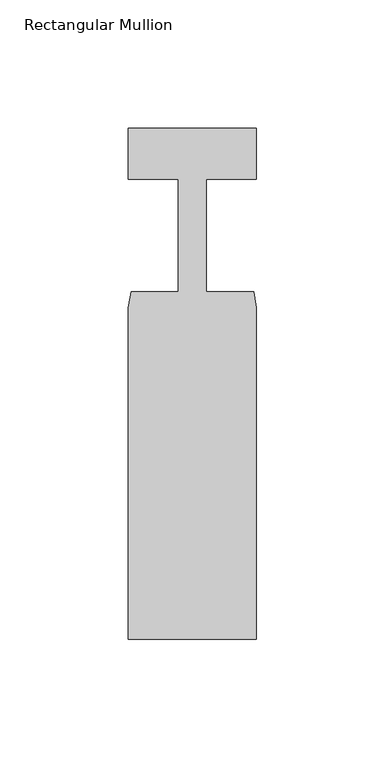
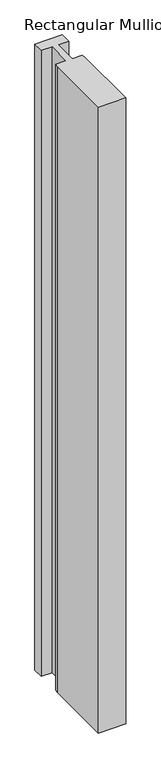
"""IFC4 building model written with IfcOpenShell, lengths in millimetres: member geometry, Rectangular Mullion."""

from ifc_helpers import new_model, si_unit, frame, origin, place, context, project, spatial, polyline, outline, extrude, source, transform, mapped, element, save


def rectangular_mullion_20dc95ad(model_context):
    return source(origin(), model_context, "Body", "SweptSolid", [
        extrude(outline(polyline([(0.0, -152.3), (-50.0, -152.3), (-50.0, -23.0), (-48.9, -16.8), (-30.4999999, -16.8), (-30.4999999, 27.0), (-50.0, 27.0), (-50.0, 47.0), (0.0, 47.0), (0.0, 27.0), (-19.5, 27.0), (-19.5, -16.8), (-1.1, -16.8), (0.0, -23.0), (0.0, -152.3)])), frame((0.0, 0.0, -1200.0), z_axis=(0.0, 0.0, 1.0), x_axis=(1.0, 0.0, 0.0)), (0.0, 0.0, 1.0), 1200.0),
    ])


if __name__ == "__main__":
    model = new_model("IFC4")
    model_context = context("Model", 3, world=origin())
    ifc_project = project(units=[si_unit("LENGTHUNIT", "METRE", prefix="MILLI")], contexts=[model_context])
    site = spatial("IfcSite", under=ifc_project)
    building = spatial("IfcBuilding", under=site)
    placement = place(None, origin())
    rectangular_mullion_shape = rectangular_mullion_20dc95ad(model_context)
    element("IfcMember", 1, ObjectType="Rectangular Mullion", at=placement, inside=building, context=model_context, shape_type="MappedRepresentation", body=[
        mapped(rectangular_mullion_shape, transform((0.0, 0.0, 0.0), x_axis=(1.0, 0.0, 0.0), y_axis=(0.0, 1.0, 0.0), z_axis=(0.0, 0.0, 1.0))),
    ])
    save(model, "model.ifc")
